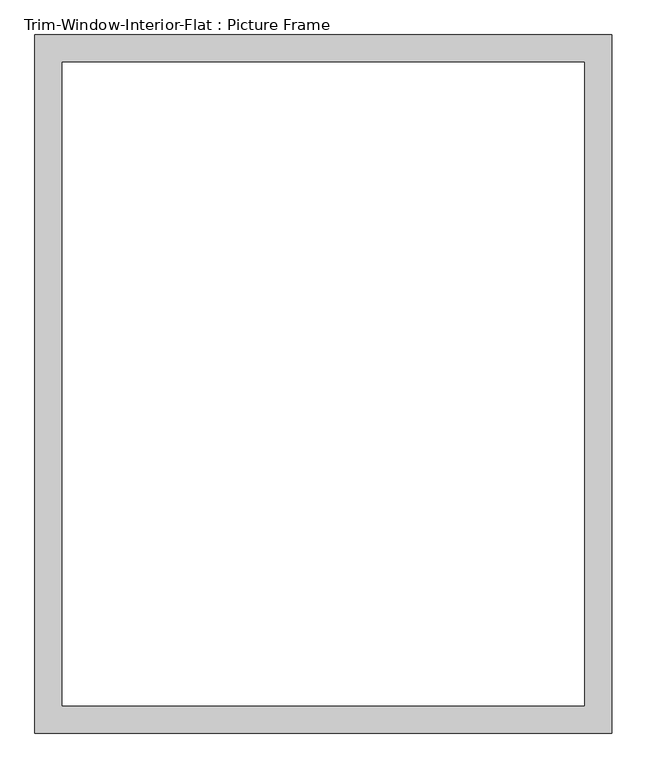
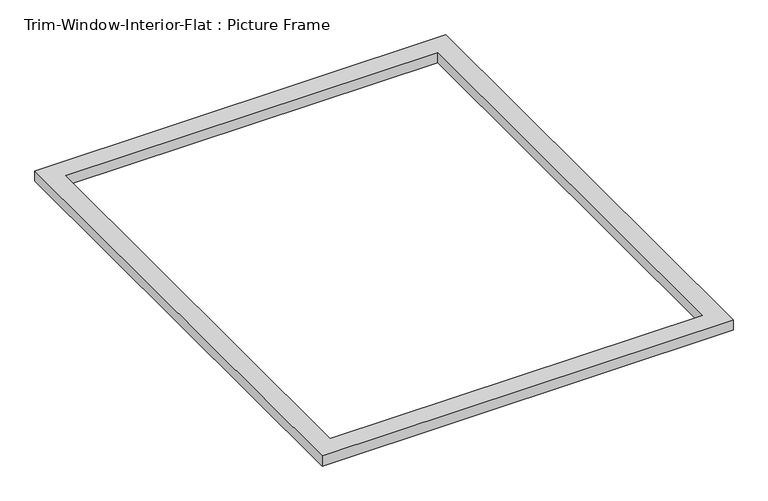
"""IFC4 building model written with IfcOpenShell, lengths in millimetres: proxy geometry, Trim-Window-Interior-Flat : Picture Frame."""

from ifc_helpers import new_model, si_unit, origin, origin_with_axes, place, context, project, spatial, polyline, outline, extrude, source, transform, mapped, element, save


def trim_window_interior_flat_picture_frame_bd81c50d(model_context):
    return source(origin(), model_context, "Body", "SweptSolid", [
        extrude(outline(polyline([(603.25, 44.45), (603.25, -1416.05), (-603.25, -1416.05), (-603.25, 44.45), (603.25, 44.45)]), holes=[polyline([(546.1, -12.7), (-546.1, -12.7), (-546.1, -1358.9), (546.1, -1358.9), (546.1, -12.7)])]), origin_with_axes(), (0.0, 0.0, 1.0), 31.75),
    ])


if __name__ == "__main__":
    model = new_model("IFC4")
    model_context = context("Model", 3, world=origin())
    ifc_project = project(units=[si_unit("LENGTHUNIT", "METRE", prefix="MILLI")], contexts=[model_context])
    site = spatial("IfcSite", under=ifc_project)
    building = spatial("IfcBuilding", under=site)
    placement = place(None, origin())
    trim_window_interior_flat_picture_frame_shape = trim_window_interior_flat_picture_frame_bd81c50d(model_context)
    element("IfcBuildingElementProxy", 1, Name="Trim-Window-Interior-Flat : Picture Frame", ObjectType="Trim-Window-Interior-Flat : Picture Frame", at=placement, inside=building, context=model_context, shape_type="MappedRepresentation", body=[
        mapped(trim_window_interior_flat_picture_frame_shape, transform((0.0, 0.0, 0.0), x_axis=(1.0, 0.0, 0.0), y_axis=(0.0, 1.0, 0.0), z_axis=(0.0, 0.0, 1.0))),
    ])
    save(model, "model.ifc")
